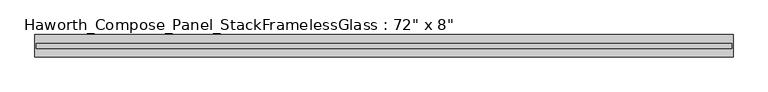
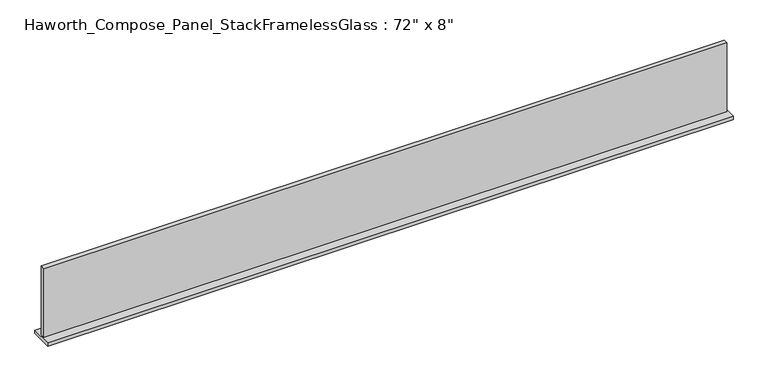
"""IFC4 building model written with IfcOpenShell, lengths in millimetres: furniture geometry."""

from ifc_helpers import new_model, si_unit, frame, origin, place, context, project, spatial, polyline, outline, extrude, source, transform, mapped, element, save


def furniture_63888c23(model_context):
    return source(origin(), model_context, "Body", "SweptSolid", [
        extrude(outline(polyline([(913.6652902, 27.3093594), (913.6652902, 14.6093594), (-908.7847098, 14.6093594), (-908.7847098, 27.3093594), (913.6652902, 27.3093594)])), frame((0.0, 0.0, 1076.325), z_axis=(0.0, 0.0, 1.0), x_axis=(1.0, 0.0, 0.0)), (0.0, 0.0, 1.0), 193.675),
        extrude(outline(polyline([(-911.9597098, 50.3281094), (916.8402902, 50.3281094), (916.8402902, -8.4093906), (-911.9597098, -8.4093906), (-911.9597098, 50.3281094)])), frame((0.0, 0.0, 1066.8), z_axis=(0.0, 0.0, 1.0), x_axis=(1.0, 0.0, 0.0)), (0.0, 0.0, 1.0), 9.525),
    ])


if __name__ == "__main__":
    model = new_model("IFC4")
    model_context = context("Model", 3, world=origin())
    ifc_project = project(units=[si_unit("LENGTHUNIT", "METRE", prefix="MILLI")], contexts=[model_context])
    site = spatial("IfcSite", under=ifc_project)
    building = spatial("IfcBuilding", under=site)
    placement = place(None, origin())
    furniture_shape = furniture_63888c23(model_context)
    element("IfcFurniture", 1, ObjectType="Haworth_Compose_Panel_StackFramelessGlass : 72\" x 8\"", at=placement, inside=building, context=model_context, shape_type="MappedRepresentation", body=[
        mapped(furniture_shape, transform((0.0, 0.0, 0.0), x_axis=(1.0, 0.0, 0.0), y_axis=(0.0, 1.0, 0.0), z_axis=(0.0, 0.0, 1.0))),
    ])
    save(model, "model.ifc")
